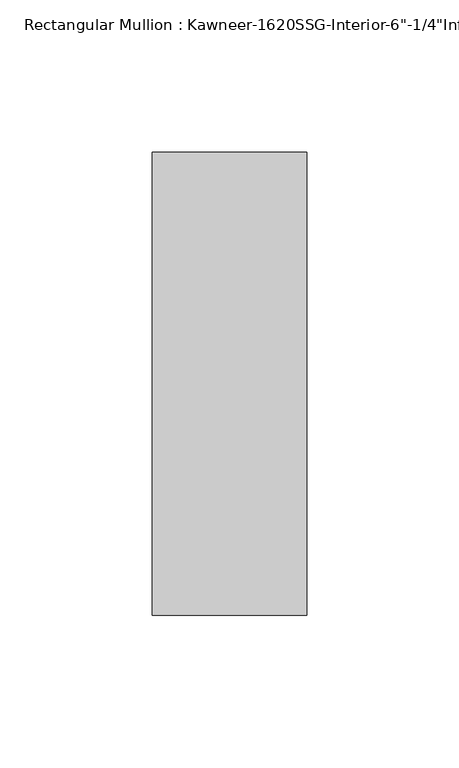
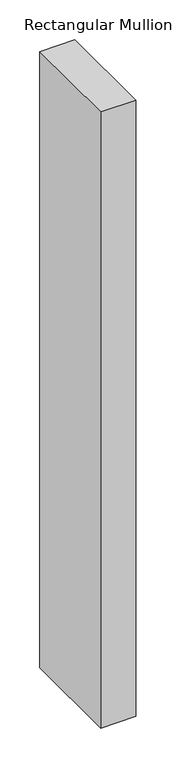
"""IFC4 building model written with IfcOpenShell, lengths in millimetres: member geometry."""

import ifcopenshell
import ifcopenshell.guid

model = None  # the IFC model being written
_history = None  # IfcOwnerHistory: only IFC2X3 demands one
_inside = {}  # id of a spatial element -> (the spatial element, [elements in it])
_under = {}  # id of a project, library or spatial element -> (it, [spatial elements below it])
_declared = {}  # id of a project -> (the project, [libraries it declares])
_typed = {}  # id of a type object -> (the type object, [elements of that type])
_made_of = {}  # id of a material, layer set ... -> (it, [elements and type objects made of it])


def new_model(schema):
    """Start an empty IFC model of exactly this schema.

    Asked for "IFC4X3", IfcOpenShell would pick the latest addendum, in which some entities
    have other attributes; the version numbers below select the first issue.
    IFC2X3 requires an IfcOwnerHistory on every rooted entity: one is made here for all.
    """
    global model, _history
    if schema == "IFC4X3":
        model = ifcopenshell.file(schema_version=(4, 3, 0, 0))
    else:
        model = ifcopenshell.file(schema=schema)
    _inside.clear()
    _under.clear()
    _declared.clear()
    _typed.clear()
    _made_of.clear()
    _history = None
    if model.schema == "IFC2X3":
        org = make("IfcOrganization", Name="unknown")
        user = make(
            "IfcPersonAndOrganization",
            ThePerson=make("IfcPerson", FamilyName="unknown"),
            TheOrganization=org,
        )
        app = make(
            "IfcApplication",
            ApplicationDeveloper=org,
            Version="unknown",
            ApplicationFullName="unknown",
            ApplicationIdentifier="unknown",
        )
        _history = make(
            "IfcOwnerHistory",
            OwningUser=user,
            OwningApplication=app,
            ChangeAction="ADDED",
            CreationDate=0,
        )
    return model


def make(cls, **values):
    """One entity of the class cls with the attributes given. An attribute that is None is left unset."""
    return model.create_entity(
        cls, **{name: value for name, value in values.items() if value is not None}
    )


def rooted(cls, **values):
    """An entity with a GlobalId (a new one), such as an element, a storey or a relation."""
    return make(cls, GlobalId=ifcopenshell.guid.new(), OwnerHistory=_history, **values)


def si_unit(unit_type, name, prefix=None):
    """IfcSIUnit, for example si_unit("LENGTHUNIT", "METRE", prefix="MILLI")."""
    return make("IfcSIUnit", UnitType=unit_type, Prefix=prefix, Name=name)


def assignment(units):
    """IfcUnitAssignment: the units of a project."""
    return None if units is None else make("IfcUnitAssignment", Units=units)


def point(xyz):
    """IfcCartesianPoint."""
    return None if xyz is None else make("IfcCartesianPoint", Coordinates=xyz)


def direction(xyz):
    """IfcDirection."""
    return None if xyz is None else make("IfcDirection", DirectionRatios=xyz)


def frame(location, z_axis=None, x_axis=None):
    """IfcAxis2Placement3D, a coordinate frame: its origin and axes. An axis left out is left unset."""
    return make(
        "IfcAxis2Placement3D",
        Location=point(location),
        Axis=direction(z_axis),
        RefDirection=direction(x_axis),
    )


def origin():
    """The frame at (0, 0, 0) with its axes left unset."""
    return frame((0.0, 0.0, 0.0))


def place(relative_to, where):
    """IfcLocalPlacement: puts the frame where relative to a parent placement (None: the world)."""
    return make(
        "IfcLocalPlacement", PlacementRelTo=relative_to, RelativePlacement=where
    )


def context(
    kind, dimensions, precision=None, world=None, true_north=None, identifier=None
):
    """IfcGeometricRepresentationContext, for example the 3D "Model" context."""
    return make(
        "IfcGeometricRepresentationContext",
        ContextIdentifier=identifier,
        ContextType=kind,
        CoordinateSpaceDimension=dimensions,
        Precision=precision,
        WorldCoordinateSystem=world,
        TrueNorth=true_north,
    )


def project(units=None, contexts=None):
    """IfcProject with its units and contexts."""
    return rooted(
        "IfcProject",
        Name="project",
        RepresentationContexts=contexts,
        UnitsInContext=assignment(units),
    )


def spatial(cls, under=None, at=None, **own):
    """A site, building, storey or space (cls), placed at a placement, below another one or the project."""
    s = rooted(cls, ObjectPlacement=at, **own)
    if under is not None:
        _under.setdefault(under.id(), (under, []))[1].append(s)
    return s


def polyline(points):
    """IfcPolyline through the points."""
    return make("IfcPolyline", Points=[point(p) for p in points])


def outline(outer, holes=None, kind="AREA"):
    """IfcArbitraryClosedProfileDef: a profile drawn as a closed curve; with holes, ...WithVoids."""
    if holes is None:
        return make("IfcArbitraryClosedProfileDef", ProfileType=kind, OuterCurve=outer)
    return make(
        "IfcArbitraryProfileDefWithVoids",
        ProfileType=kind,
        OuterCurve=outer,
        InnerCurves=holes,
    )


def extrude(swept, where, along, depth):
    """IfcExtrudedAreaSolid: the profile swept, set in the frame where, extruded along a direction by depth."""
    return make(
        "IfcExtrudedAreaSolid",
        SweptArea=swept,
        Position=where,
        ExtrudedDirection=direction(along),
        Depth=depth,
    )


def shape(context_of_items, identifier, shape_type, items):
    """IfcShapeRepresentation: the items that make up one representation, for example the "Body"."""
    return make(
        "IfcShapeRepresentation",
        ContextOfItems=context_of_items,
        RepresentationIdentifier=identifier,
        RepresentationType=shape_type,
        Items=items,
    )


def source(mapping_origin, context_of_items, identifier, shape_type, items):
    """IfcRepresentationMap: a shape defined once, which mapped items show again and again."""
    return make(
        "IfcRepresentationMap",
        MappingOrigin=mapping_origin,
        MappedRepresentation=shape(context_of_items, identifier, shape_type, items),
    )


def transform(
    local_origin,
    x_axis=None,
    y_axis=None,
    z_axis=None,
    scale=None,
    scale2=None,
    scale3=None,
    uniform=True,
):
    """IfcCartesianTransformationOperator3D, or its non-uniform kind. x_axis, y_axis, z_axis: its Axis1, 2, 3."""
    if uniform:
        return make(
            "IfcCartesianTransformationOperator3D",
            Axis1=direction(x_axis),
            Axis2=direction(y_axis),
            LocalOrigin=point(local_origin),
            Scale=scale,
            Axis3=direction(z_axis),
        )
    return make(
        "IfcCartesianTransformationOperator3DnonUniform",
        Axis1=direction(x_axis),
        Axis2=direction(y_axis),
        LocalOrigin=point(local_origin),
        Scale=scale,
        Axis3=direction(z_axis),
        Scale2=scale2,
        Scale3=scale3,
    )


def mapped(mapping_source, mapping_target):
    """IfcMappedItem: shows the shape of a source again, moved by a transform."""
    return make(
        "IfcMappedItem", MappingSource=mapping_source, MappingTarget=mapping_target
    )


def made_of(thing, what):
    """Note that an element or type object is made of a material, layer set ...; save() writes the relation."""
    if what is not None:
        _made_of.setdefault(what.id(), (what, []))[1].append(thing)
    return thing


def element(
    cls,
    number,
    at=None,
    inside=None,
    cuts=None,
    type_object=None,
    material=None,
    context=None,
    identifier="Body",
    shape_type=None,
    held_by="IfcProductDefinitionShape",
    body=None,
    shapes=None,
    **own,
):
    """One element of the class cls, such as IfcWall. Its Tag is "e" and its number.

    at: its placement. inside: the storey or other place that contains it. cuts: it is an
    opening in that element (IfcRelVoidsElement). A single representation is given by context,
    identifier, shape_type and body (its items); several are given by shapes. held_by: the class
    of the entity that holds the representations. save() writes the other relations.
    """
    e = rooted(cls, Tag="e%d" % number, ObjectPlacement=at, **own)
    if body is not None:
        shapes = [shape(context, identifier, shape_type, body)]
    if shapes is not None:
        e.Representation = make(held_by, Representations=shapes)
    if inside is not None:
        _inside.setdefault(inside.id(), (inside, []))[1].append(e)
    if cuts is not None:
        rooted(
            "IfcRelVoidsElement", RelatingBuildingElement=cuts, RelatedOpeningElement=e
        )
    if type_object is not None:
        _typed.setdefault(type_object.id(), (type_object, []))[1].append(e)
    return made_of(e, material)


def aggregate(whole, parts):
    """IfcRelAggregates: a whole, such as a stair, and the parts it consists of."""
    return rooted("IfcRelAggregates", RelatingObject=whole, RelatedObjects=parts)


def save(model, path):
    """Write the relations noted so far, then the file.

    IfcRelAggregates (storeys below a building ...), IfcRelContainedInSpatialStructure (elements
    in a storey), IfcRelDefinesByType, IfcRelAssociatesMaterial and IfcRelDeclares: one each for
    every whole, place, type object, material and project.
    """
    for whole, parts in _under.values():
        aggregate(whole, parts)
    for where, things in _inside.values():
        rooted(
            "IfcRelContainedInSpatialStructure",
            RelatedElements=things,
            RelatingStructure=where,
        )
    for kind, things in _typed.values():
        rooted("IfcRelDefinesByType", RelatedObjects=things, RelatingType=kind)
    for what, things in _made_of.values():
        rooted("IfcRelAssociatesMaterial", RelatedObjects=things, RelatingMaterial=what)
    for by, libraries in _declared.values():
        rooted("IfcRelDeclares", RelatingContext=by, RelatedDefinitions=libraries)
    model.write(path)


def member_faaf3543(model_context):
    return source(origin(), model_context, "Body", "SweptSolid", [
        extrude(outline(polyline([(25.4, 123.825), (25.4, -28.575), (-25.4, -28.575), (-25.4, 123.825), (25.4, 123.825)])), frame((0.0, 0.0, -942.975), z_axis=(0.0, 0.0, 1.0), x_axis=(1.0, 0.0, 0.0)), (0.0, 0.0, 1.0), 942.975),
    ])


if __name__ == "__main__":
    model = new_model("IFC4")
    model_context = context("Model", 3, world=origin())
    ifc_project = project(units=[si_unit("LENGTHUNIT", "METRE", prefix="MILLI")], contexts=[model_context])
    site = spatial("IfcSite", under=ifc_project)
    building = spatial("IfcBuilding", under=site)
    placement = place(None, origin())
    member_shape = member_faaf3543(model_context)
    element("IfcMember", 1, ObjectType="Rectangular Mullion : Kawneer-1620SSG-Interior-6\"-1/4\"Infill", at=placement, inside=building, context=model_context, shape_type="MappedRepresentation", body=[
        mapped(member_shape, transform((0.0, 0.0, 0.0), x_axis=(1.0, 0.0, 0.0), y_axis=(0.0, 1.0, 0.0), z_axis=(0.0, 0.0, 1.0))),
    ])
    save(model, "model.ifc")
